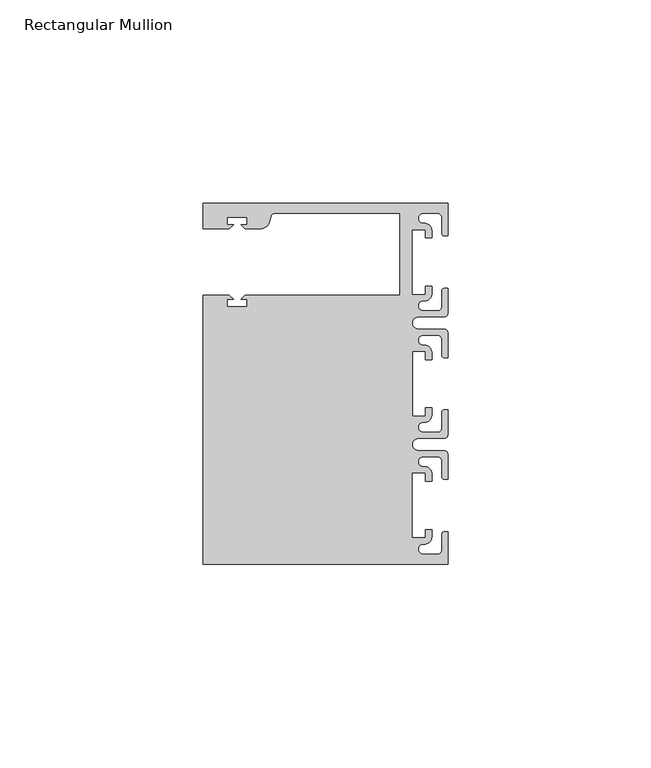
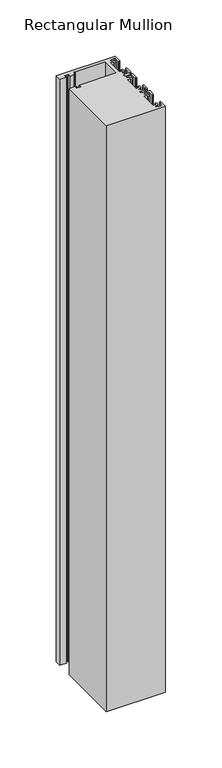
"""IFC4 building model written with IfcOpenShell, lengths in millimetres: member geometry, Rectangular Mullion."""

from ifc_helpers import new_model, si_unit, point, frame, frame_2d, origin, place, context, project, spatial, polyline, circle_curve, trimmed, segment, composite_curve, outline, extrude, source, transform, mapped, element, save


def rectangular_mullion_57eeedb9(model_context):
    return source(origin(), model_context, "Body", "SweptSolid", [
        extrude(outline(composite_curve([segment(polyline([(0.0, 44.45), (0.0, 36.4500318), (-1.0, 36.4500318)]), True, "CONTINUOUS"), segment(trimmed(circle_curve(frame_2d((-1.0, 36.9500318)), 0.5), [point((-1.0, 36.4500318))], [point((-1.5, 36.9500318))], False, "CARTESIAN"), True, "CONTINUOUS"), segment(polyline([(-1.5, 36.9500318), (-1.5, 40.95)]), True, "CONTINUOUS"), segment(trimmed(circle_curve(frame_2d((-2.5, 40.95)), 1.0), [point((-1.5, 40.95))], [point((-2.5, 41.95))], True, "CARTESIAN"), True, "CONTINUOUS"), segment(polyline([(-2.5, 41.95), (-6.0499986, 41.95)]), True, "CONTINUOUS"), segment(trimmed(circle_curve(frame_2d((-6.0499986, 40.6999986)), 1.2500014), [point((-6.0499986, 41.95))], [point((-5.9027291, 39.4587029))], True, "CARTESIAN"), True, "CONTINUOUS"), segment(trimmed(circle_curve(frame_2d((-5.7186029, 37.7499972)), 1.7185975), [point((-5.9027291, 39.4587029))], [point((-4.0000054, 37.7499972))], False, "CARTESIAN"), True, "CONTINUOUS"), segment(polyline([(-4.0000054, 37.7499972), (-4.0000054, 35.9500318), (-5.5, 35.9500318), (-5.5, 37.9499972), (-8.8585786, 37.9499972), (-8.8585786, 21.9499956), (-5.5, 21.9499956), (-5.5, 23.9499611), (-3.9999946, 23.9499611), (-3.9999946, 22.0272972)]), True, "CONTINUOUS"), segment(trimmed(circle_curve(frame_2d((-5.7543344, 22.1865598)), 1.761554), [point((-3.9999946, 22.0272972))], [point((-6.0499986, 20.4499956))], False, "CARTESIAN"), True, "CONTINUOUS"), segment(trimmed(circle_curve(frame_2d((-6.0499986, 19.1999942)), 1.2500014), [point((-6.0499986, 20.4499956))], [point((-6.0499986, 17.9499929))], True, "CARTESIAN"), True, "CONTINUOUS"), segment(polyline([(-6.0499986, 17.9499929), (-2.5, 17.9499929)]), True, "CONTINUOUS"), segment(trimmed(circle_curve(frame_2d((-2.5, 18.9499929)), 1.0), [point((-2.5, 17.9499929))], [point((-1.5, 18.9499929))], True, "CARTESIAN"), True, "CONTINUOUS"), segment(polyline([(-1.5, 18.9499929), (-1.5, 22.9499611)]), True, "CONTINUOUS"), segment(trimmed(circle_curve(frame_2d((-1.0, 22.9499611)), 0.5), [point((-1.5, 22.9499611))], [point((-1.0, 23.4499611))], False, "CARTESIAN"), True, "CONTINUOUS"), segment(polyline([(-1.0, 23.4499611), (0.0, 23.4499611), (0.0, 17.4499929)]), True, "CONTINUOUS"), segment(trimmed(circle_curve(frame_2d((-1.0, 17.4499929)), 1.0), [point((0.0, 17.4499929))], [point((-1.0, 16.4499929))], False, "CARTESIAN"), True, "CONTINUOUS"), segment(polyline([(-1.0, 16.4499929), (-7.3, 16.4499929)]), True, "CONTINUOUS"), segment(trimmed(circle_curve(frame_2d((-7.3, 14.9499929)), 1.5), [point((-7.3, 16.4499929))], [point((-7.3046244, 13.45))], True, "CARTESIAN"), True, "CONTINUOUS"), segment(polyline([(-7.3046244, 13.45), (-1.0, 13.45)]), True, "CONTINUOUS"), segment(trimmed(circle_curve(frame_2d((-1.0, 12.45)), 1.0), [point((-1.0, 13.45))], [point((0.0, 12.45))], False, "CARTESIAN"), True, "CONTINUOUS"), segment(polyline([(0.0, 12.45), (0.0, 6.4500354), (-0.9999964, 6.4500354)]), True, "CONTINUOUS"), segment(trimmed(circle_curve(frame_2d((-0.9999964, 6.9500354)), 0.5), [point((-0.9999964, 6.4500354))], [point((-1.4999964, 6.9500354))], False, "CARTESIAN"), True, "CONTINUOUS"), segment(polyline([(-1.4999964, 6.9500354), (-1.4999964, 10.95)]), True, "CONTINUOUS"), segment(trimmed(circle_curve(frame_2d((-2.4999964, 10.95)), 1.0), [point((-1.4999964, 10.95))], [point((-2.4999964, 11.95))], True, "CARTESIAN"), True, "CONTINUOUS"), segment(polyline([(-2.4999964, 11.95), (-6.0499986, 11.95)]), True, "CONTINUOUS"), segment(trimmed(circle_curve(frame_2d((-6.0499986, 10.6999986)), 1.2500014), [point((-6.0499986, 11.95))], [point((-6.0499986, 9.4499972))], True, "CARTESIAN"), True, "CONTINUOUS"), segment(trimmed(circle_curve(frame_2d((-5.7298824, 7.7499972)), 1.729877), [point((-6.0499986, 9.4499972))], [point((-4.0000054, 7.7499972))], False, "CARTESIAN"), True, "CONTINUOUS"), segment(polyline([(-4.0000054, 7.7499972), (-4.0000054, 5.9500318), (-5.5, 5.9500318), (-5.5, 7.9499972), (-8.8, 7.9499972), (-8.8, -7.9499972), (-5.5, -7.9499972), (-5.5, -5.9500318), (-4.0000054, -5.9500318), (-4.0000054, -7.7499972)]), True, "CONTINUOUS"), segment(trimmed(circle_curve(frame_2d((-5.7298824, -7.7499972)), 1.729877), [point((-4.0000054, -7.7499972))], [point((-6.0499986, -9.4499972))], False, "CARTESIAN"), True, "CONTINUOUS"), segment(trimmed(circle_curve(frame_2d((-6.0499986, -10.6999986)), 1.2500014), [point((-6.0499986, -9.4499972))], [point((-6.0499986, -11.95))], True, "CARTESIAN"), True, "CONTINUOUS"), segment(polyline([(-6.0499986, -11.95), (-2.4999964, -11.95)]), True, "CONTINUOUS"), segment(trimmed(circle_curve(frame_2d((-2.4999964, -10.95)), 1.0), [point((-2.4999964, -11.95))], [point((-1.4999964, -10.95))], True, "CARTESIAN"), True, "CONTINUOUS"), segment(polyline([(-1.4999964, -10.95), (-1.4999964, -6.9500354)]), True, "CONTINUOUS"), segment(trimmed(circle_curve(frame_2d((-0.9999964, -6.9500354)), 0.5), [point((-1.4999964, -6.9500354))], [point((-0.9999964, -6.4500354))], False, "CARTESIAN"), True, "CONTINUOUS"), segment(polyline([(-0.9999964, -6.4500354), (0.0, -6.4500354), (0.0, -12.45)]), True, "CONTINUOUS"), segment(trimmed(circle_curve(frame_2d((-1.0, -12.45)), 1.0), [point((0.0, -12.45))], [point((-1.0, -13.45))], False, "CARTESIAN"), True, "CONTINUOUS"), segment(polyline([(-1.0, -13.45), (-7.3046244, -13.45)]), True, "CONTINUOUS"), segment(trimmed(circle_curve(frame_2d((-7.3, -14.9499929)), 1.5), [point((-7.3046244, -13.45))], [point((-7.3, -16.4499929))], True, "CARTESIAN"), True, "CONTINUOUS"), segment(polyline([(-7.3, -16.4499929), (-1.0, -16.4499929)]), True, "CONTINUOUS"), segment(trimmed(circle_curve(frame_2d((-1.0, -17.4499929)), 1.0), [point((-1.0, -16.4499929))], [point((0.0, -17.4499929))], False, "CARTESIAN"), True, "CONTINUOUS"), segment(polyline([(0.0, -17.4499929), (0.0, -23.4499611), (-1.0, -23.4499611)]), True, "CONTINUOUS"), segment(trimmed(circle_curve(frame_2d((-1.0, -22.9499611)), 0.5), [point((-1.0, -23.4499611))], [point((-1.5, -22.9499611))], False, "CARTESIAN"), True, "CONTINUOUS"), segment(polyline([(-1.5, -22.9499611), (-1.5, -18.9499929)]), True, "CONTINUOUS"), segment(trimmed(circle_curve(frame_2d((-2.5, -18.9499929)), 1.0), [point((-1.5, -18.9499929))], [point((-2.5, -17.9499929))], True, "CARTESIAN"), True, "CONTINUOUS"), segment(polyline([(-2.5, -17.9499929), (-6.0499986, -17.9499929)]), True, "CONTINUOUS"), segment(trimmed(circle_curve(frame_2d((-6.0499986, -19.1999942)), 1.2500014), [point((-6.0499986, -17.9499929))], [point((-6.0499986, -20.4499956))], True, "CARTESIAN"), True, "CONTINUOUS"), segment(trimmed(circle_curve(frame_2d((-5.7543344, -22.1865598)), 1.761554), [point((-6.0499986, -20.4499956))], [point((-3.9999946, -22.0272972))], False, "CARTESIAN"), True, "CONTINUOUS"), segment(polyline([(-3.9999946, -22.0272972), (-3.9999946, -23.9499611), (-5.5, -23.9499611), (-5.5, -21.9499956), (-8.8585786, -21.9499956), (-8.8585786, -37.9499972), (-5.5, -37.9499972), (-5.5, -35.9500318), (-4.0000054, -35.9500318), (-4.0000054, -37.7499972)]), True, "CONTINUOUS"), segment(trimmed(circle_curve(frame_2d((-5.7186029, -37.7499972)), 1.7185975), [point((-4.0000054, -37.7499972))], [point((-5.9027291, -39.4587029))], False, "CARTESIAN"), True, "CONTINUOUS"), segment(trimmed(circle_curve(frame_2d((-6.0499986, -40.6999986)), 1.2500014), [point((-5.9027291, -39.4587029))], [point((-6.0499986, -41.95))], True, "CARTESIAN"), True, "CONTINUOUS"), segment(polyline([(-6.0499986, -41.95), (-2.5, -41.95)]), True, "CONTINUOUS"), segment(trimmed(circle_curve(frame_2d((-2.5, -40.95)), 1.0), [point((-2.5, -41.95))], [point((-1.5, -40.95))], True, "CARTESIAN"), True, "CONTINUOUS"), segment(polyline([(-1.5, -40.95), (-1.5, -36.9500318)]), True, "CONTINUOUS"), segment(trimmed(circle_curve(frame_2d((-1.0, -36.9500318)), 0.5), [point((-1.5, -36.9500318))], [point((-1.0, -36.4500318))], False, "CARTESIAN"), True, "CONTINUOUS"), segment(polyline([(-1.0, -36.4500318), (0.0, -36.4500318), (0.0, -44.45), (-60.325, -44.45), (-60.325, 21.749999), (-53.8507562, 21.749999), (-52.8507405, 20.7499834), (-54.4250134, 20.7499834), (-54.4250134, 18.949936), (-49.4250186, 18.949936), (-49.4250186, 20.7499834), (-50.999256, 20.7499834), (-49.9992434, 21.7499959), (-11.8, 21.7499959), (-11.8, 41.95), (-42.6099329, 41.95)]), True, "CONTINUOUS"), segment(trimmed(circle_curve(frame_2d((-42.6099329, 40.9500001)), 1.0), [point((-42.6099329, 41.95))], [point((-43.5758588, 41.2088192))], True, "CARTESIAN"), True, "CONTINUOUS"), segment(polyline([(-43.5758588, 41.2088192), (-43.8989707, 40.002949)]), True, "CONTINUOUS"), segment(trimmed(circle_curve(frame_2d((-46.3137853, 40.6499966)), 2.5), [point((-43.8989707, 40.002949))], [point((-46.3137853, 38.1499966))], False, "CARTESIAN"), True, "CONTINUOUS"), segment(polyline([(-46.3137853, 38.1499966), (-49.9992503, 38.1499966), (-50.999256, 39.1500023), (-49.4249831, 39.1500023), (-49.4249831, 40.9498819), (-54.4249778, 40.9498819), (-54.4249778, 39.1500023), (-52.8507405, 39.1500023), (-53.8507531, 38.1499897), (-60.3249977, 38.1499897), (-60.3249977, 44.45), (0.0, 44.45)]), True, "CONTINUOUS")], self_intersect=False)), frame((0.0, 0.0, -635.0), z_axis=(0.0, 0.0, 1.0), x_axis=(1.0, 0.0, 0.0)), (0.0, 0.0, 1.0), 635.0),
    ])


if __name__ == "__main__":
    model = new_model("IFC4")
    model_context = context("Model", 3, world=origin())
    ifc_project = project(units=[si_unit("LENGTHUNIT", "METRE", prefix="MILLI")], contexts=[model_context])
    site = spatial("IfcSite", under=ifc_project)
    building = spatial("IfcBuilding", under=site)
    placement = place(None, origin())
    rectangular_mullion_shape = rectangular_mullion_57eeedb9(model_context)
    element("IfcMember", 1, ObjectType="Rectangular Mullion", at=placement, inside=building, context=model_context, shape_type="MappedRepresentation", body=[
        mapped(rectangular_mullion_shape, transform((0.0, 0.0, 0.0), x_axis=(1.0, 0.0, 0.0), y_axis=(0.0, 1.0, 0.0), z_axis=(0.0, 0.0, 1.0))),
    ])
    save(model, "model.ifc")
